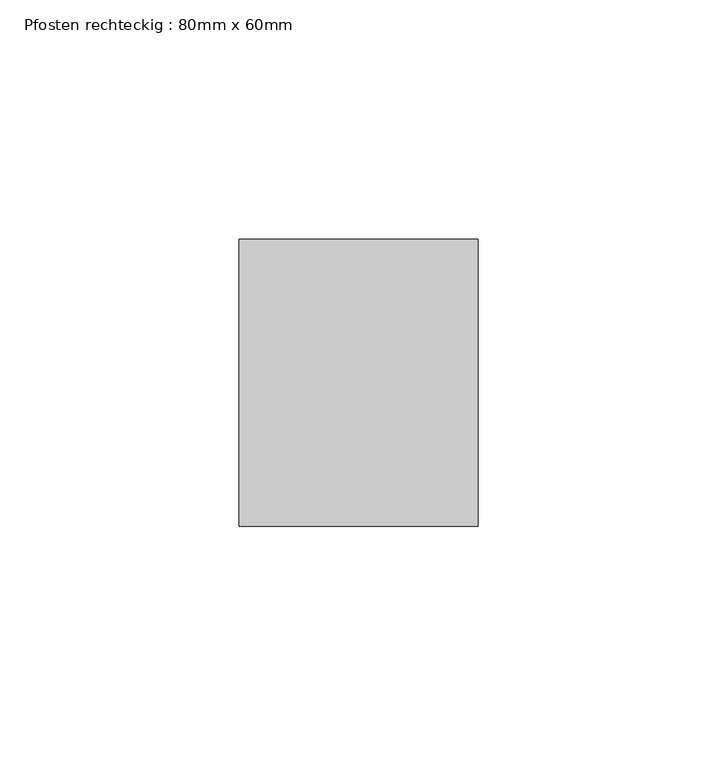
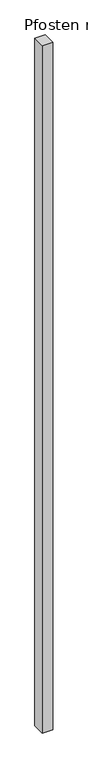
"""IFC4 building model written with IfcOpenShell, lengths in millimetres: member geometry, Pfosten rechteckig : 80mm x 60mm."""

from ifc_helpers import new_model, si_unit, frame, origin, place, context, project, spatial, polyline, outline, extrude, source, transform, mapped, element, save


def pfosten_rechteckig_80mm_x_60mm_efe69339(model_context):
    return source(origin(), model_context, "Body", "SweptSolid", [
        extrude(outline(polyline([(0.0, 30.0), (0.0, -30.0), (-50.0, -30.0), (-50.0, 30.0), (0.0, 30.0)])), frame((0.0, 0.0, -3450.0), z_axis=(0.0, 0.0, 1.0), x_axis=(1.0, 0.0, 0.0)), (0.0, 0.0, 1.0), 3450.0),
    ])


if __name__ == "__main__":
    model = new_model("IFC4")
    model_context = context("Model", 3, world=origin())
    ifc_project = project(units=[si_unit("LENGTHUNIT", "METRE", prefix="MILLI")], contexts=[model_context])
    site = spatial("IfcSite", under=ifc_project)
    building = spatial("IfcBuilding", under=site)
    placement = place(None, origin())
    pfosten_rechteckig_80mm_x_60mm_shape = pfosten_rechteckig_80mm_x_60mm_efe69339(model_context)
    element("IfcMember", 1, ObjectType="Pfosten rechteckig : 80mm x 60mm", at=placement, inside=building, context=model_context, shape_type="MappedRepresentation", body=[
        mapped(pfosten_rechteckig_80mm_x_60mm_shape, transform((0.0, 0.0, 0.0), x_axis=(1.0, 0.0, 0.0), y_axis=(0.0, 1.0, 0.0), z_axis=(0.0, 0.0, 1.0))),
    ])
    save(model, "model.ifc")
